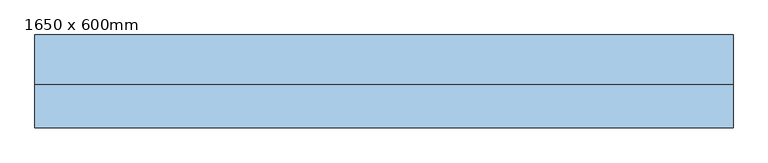
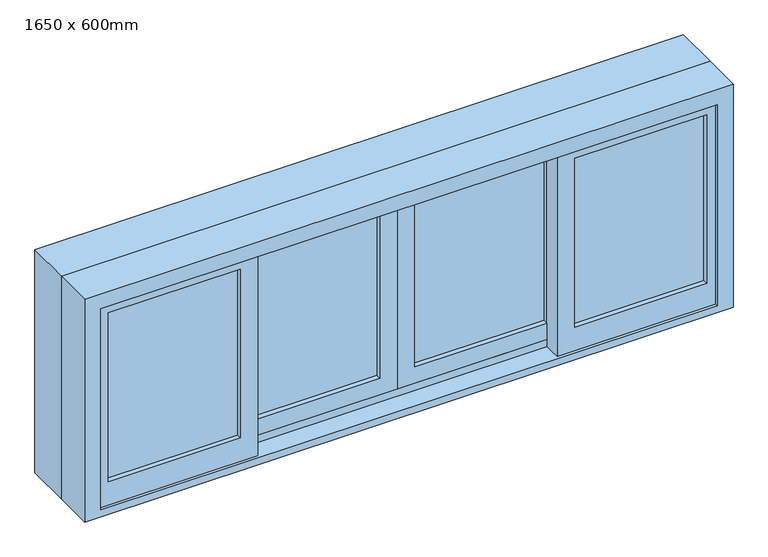
"""IFC4 building model written with IfcOpenShell, lengths in millimetres: window geometry, 1650 x 600mm."""

import ifcopenshell
import ifcopenshell.guid

model = None  # the IFC model being written
_history = None  # IfcOwnerHistory: only IFC2X3 demands one
_inside = {}  # id of a spatial element -> (the spatial element, [elements in it])
_under = {}  # id of a project, library or spatial element -> (it, [spatial elements below it])
_declared = {}  # id of a project -> (the project, [libraries it declares])
_typed = {}  # id of a type object -> (the type object, [elements of that type])
_made_of = {}  # id of a material, layer set ... -> (it, [elements and type objects made of it])


def new_model(schema):
    """Start an empty IFC model of exactly this schema.

    Asked for "IFC4X3", IfcOpenShell would pick the latest addendum, in which some entities
    have other attributes; the version numbers below select the first issue.
    IFC2X3 requires an IfcOwnerHistory on every rooted entity: one is made here for all.
    """
    global model, _history
    if schema == "IFC4X3":
        model = ifcopenshell.file(schema_version=(4, 3, 0, 0))
    else:
        model = ifcopenshell.file(schema=schema)
    _inside.clear()
    _under.clear()
    _declared.clear()
    _typed.clear()
    _made_of.clear()
    _history = None
    if model.schema == "IFC2X3":
        org = make("IfcOrganization", Name="unknown")
        user = make(
            "IfcPersonAndOrganization",
            ThePerson=make("IfcPerson", FamilyName="unknown"),
            TheOrganization=org,
        )
        app = make(
            "IfcApplication",
            ApplicationDeveloper=org,
            Version="unknown",
            ApplicationFullName="unknown",
            ApplicationIdentifier="unknown",
        )
        _history = make(
            "IfcOwnerHistory",
            OwningUser=user,
            OwningApplication=app,
            ChangeAction="ADDED",
            CreationDate=0,
        )
    return model


def make(cls, **values):
    """One entity of the class cls with the attributes given. An attribute that is None is left unset."""
    return model.create_entity(
        cls, **{name: value for name, value in values.items() if value is not None}
    )


def rooted(cls, **values):
    """An entity with a GlobalId (a new one), such as an element, a storey or a relation."""
    return make(cls, GlobalId=ifcopenshell.guid.new(), OwnerHistory=_history, **values)


def si_unit(unit_type, name, prefix=None):
    """IfcSIUnit, for example si_unit("LENGTHUNIT", "METRE", prefix="MILLI")."""
    return make("IfcSIUnit", UnitType=unit_type, Prefix=prefix, Name=name)


def assignment(units):
    """IfcUnitAssignment: the units of a project."""
    return None if units is None else make("IfcUnitAssignment", Units=units)


def point(xyz):
    """IfcCartesianPoint."""
    return None if xyz is None else make("IfcCartesianPoint", Coordinates=xyz)


def direction(xyz):
    """IfcDirection."""
    return None if xyz is None else make("IfcDirection", DirectionRatios=xyz)


def frame(location, z_axis=None, x_axis=None):
    """IfcAxis2Placement3D, a coordinate frame: its origin and axes. An axis left out is left unset."""
    return make(
        "IfcAxis2Placement3D",
        Location=point(location),
        Axis=direction(z_axis),
        RefDirection=direction(x_axis),
    )


def origin():
    """The frame at (0, 0, 0) with its axes left unset."""
    return frame((0.0, 0.0, 0.0))


def place(relative_to, where):
    """IfcLocalPlacement: puts the frame where relative to a parent placement (None: the world)."""
    return make(
        "IfcLocalPlacement", PlacementRelTo=relative_to, RelativePlacement=where
    )


def context(
    kind, dimensions, precision=None, world=None, true_north=None, identifier=None
):
    """IfcGeometricRepresentationContext, for example the 3D "Model" context."""
    return make(
        "IfcGeometricRepresentationContext",
        ContextIdentifier=identifier,
        ContextType=kind,
        CoordinateSpaceDimension=dimensions,
        Precision=precision,
        WorldCoordinateSystem=world,
        TrueNorth=true_north,
    )


def project(units=None, contexts=None):
    """IfcProject with its units and contexts."""
    return rooted(
        "IfcProject",
        Name="project",
        RepresentationContexts=contexts,
        UnitsInContext=assignment(units),
    )


def spatial(cls, under=None, at=None, **own):
    """A site, building, storey or space (cls), placed at a placement, below another one or the project."""
    s = rooted(cls, ObjectPlacement=at, **own)
    if under is not None:
        _under.setdefault(under.id(), (under, []))[1].append(s)
    return s


def polyline(points):
    """IfcPolyline through the points."""
    return make("IfcPolyline", Points=[point(p) for p in points])


def outline(outer, holes=None, kind="AREA"):
    """IfcArbitraryClosedProfileDef: a profile drawn as a closed curve; with holes, ...WithVoids."""
    if holes is None:
        return make("IfcArbitraryClosedProfileDef", ProfileType=kind, OuterCurve=outer)
    return make(
        "IfcArbitraryProfileDefWithVoids",
        ProfileType=kind,
        OuterCurve=outer,
        InnerCurves=holes,
    )


def extrude(swept, where, along, depth):
    """IfcExtrudedAreaSolid: the profile swept, set in the frame where, extruded along a direction by depth."""
    return make(
        "IfcExtrudedAreaSolid",
        SweptArea=swept,
        Position=where,
        ExtrudedDirection=direction(along),
        Depth=depth,
    )


def faces_of(points, faces, orient=None, outer=None):
    """IfcFace entities. A face is a list of loops; a loop is a list of indices into points, from 0.

    orient and outer hold one flag for each loop. By default every Orientation is true, the
    first loop of a face is its IfcFaceOuterBound and the others are IfcFaceBound.
    """
    made = []
    for i, loops in enumerate(faces):
        bounds = []
        for j, loop in enumerate(loops):
            is_outer = j == 0 if outer is None else outer[i][j]
            bounds.append(
                make(
                    "IfcFaceOuterBound" if is_outer else "IfcFaceBound",
                    Bound=make("IfcPolyLoop", Polygon=[points[k] for k in loop]),
                    Orientation=True if orient is None else orient[i][j],
                )
            )
        made.append(make("IfcFace", Bounds=bounds))
    return made


def faceted_brep(points, faces, orient=None, outer=None, voids=None):
    """IfcFacetedBrep: a solid bounded by flat faces; with voids (closed shells), ...WithVoids."""
    shared = [point(p) for p in points]
    hull = make("IfcClosedShell", CfsFaces=faces_of(shared, faces, orient, outer))
    if voids is None:
        return make("IfcFacetedBrep", Outer=hull)
    return make(
        "IfcFacetedBrepWithVoids",
        Outer=hull,
        Voids=[
            make(cls, CfsFaces=faces_of(shared, fs, o, b)) for cls, fs, o, b in voids
        ],
    )


def shape(context_of_items, identifier, shape_type, items):
    """IfcShapeRepresentation: the items that make up one representation, for example the "Body"."""
    return make(
        "IfcShapeRepresentation",
        ContextOfItems=context_of_items,
        RepresentationIdentifier=identifier,
        RepresentationType=shape_type,
        Items=items,
    )


def source(mapping_origin, context_of_items, identifier, shape_type, items):
    """IfcRepresentationMap: a shape defined once, which mapped items show again and again."""
    return make(
        "IfcRepresentationMap",
        MappingOrigin=mapping_origin,
        MappedRepresentation=shape(context_of_items, identifier, shape_type, items),
    )


def transform(
    local_origin,
    x_axis=None,
    y_axis=None,
    z_axis=None,
    scale=None,
    scale2=None,
    scale3=None,
    uniform=True,
):
    """IfcCartesianTransformationOperator3D, or its non-uniform kind. x_axis, y_axis, z_axis: its Axis1, 2, 3."""
    if uniform:
        return make(
            "IfcCartesianTransformationOperator3D",
            Axis1=direction(x_axis),
            Axis2=direction(y_axis),
            LocalOrigin=point(local_origin),
            Scale=scale,
            Axis3=direction(z_axis),
        )
    return make(
        "IfcCartesianTransformationOperator3DnonUniform",
        Axis1=direction(x_axis),
        Axis2=direction(y_axis),
        LocalOrigin=point(local_origin),
        Scale=scale,
        Axis3=direction(z_axis),
        Scale2=scale2,
        Scale3=scale3,
    )


def mapped(mapping_source, mapping_target):
    """IfcMappedItem: shows the shape of a source again, moved by a transform."""
    return make(
        "IfcMappedItem", MappingSource=mapping_source, MappingTarget=mapping_target
    )


def made_of(thing, what):
    """Note that an element or type object is made of a material, layer set ...; save() writes the relation."""
    if what is not None:
        _made_of.setdefault(what.id(), (what, []))[1].append(thing)
    return thing


def element(
    cls,
    number,
    at=None,
    inside=None,
    cuts=None,
    type_object=None,
    material=None,
    context=None,
    identifier="Body",
    shape_type=None,
    held_by="IfcProductDefinitionShape",
    body=None,
    shapes=None,
    **own,
):
    """One element of the class cls, such as IfcWall. Its Tag is "e" and its number.

    at: its placement. inside: the storey or other place that contains it. cuts: it is an
    opening in that element (IfcRelVoidsElement). A single representation is given by context,
    identifier, shape_type and body (its items); several are given by shapes. held_by: the class
    of the entity that holds the representations. save() writes the other relations.
    """
    e = rooted(cls, Tag="e%d" % number, ObjectPlacement=at, **own)
    if body is not None:
        shapes = [shape(context, identifier, shape_type, body)]
    if shapes is not None:
        e.Representation = make(held_by, Representations=shapes)
    if inside is not None:
        _inside.setdefault(inside.id(), (inside, []))[1].append(e)
    if cuts is not None:
        rooted(
            "IfcRelVoidsElement", RelatingBuildingElement=cuts, RelatedOpeningElement=e
        )
    if type_object is not None:
        _typed.setdefault(type_object.id(), (type_object, []))[1].append(e)
    return made_of(e, material)


def aggregate(whole, parts):
    """IfcRelAggregates: a whole, such as a stair, and the parts it consists of."""
    return rooted("IfcRelAggregates", RelatingObject=whole, RelatedObjects=parts)


def save(model, path):
    """Write the relations noted so far, then the file.

    IfcRelAggregates (storeys below a building ...), IfcRelContainedInSpatialStructure (elements
    in a storey), IfcRelDefinesByType, IfcRelAssociatesMaterial and IfcRelDeclares: one each for
    every whole, place, type object, material and project.
    """
    for whole, parts in _under.values():
        aggregate(whole, parts)
    for where, things in _inside.values():
        rooted(
            "IfcRelContainedInSpatialStructure",
            RelatedElements=things,
            RelatingStructure=where,
        )
    for kind, things in _typed.values():
        rooted("IfcRelDefinesByType", RelatedObjects=things, RelatingType=kind)
    for what, things in _made_of.values():
        rooted("IfcRelAssociatesMaterial", RelatedObjects=things, RelatingMaterial=what)
    for by, libraries in _declared.values():
        rooted("IfcRelDeclares", RelatingContext=by, RelatedDefinitions=libraries)
    model.write(path)


def window_1650_x_600mm_9992228e(model_context):
    return source(origin(), model_context, "Body", "SolidModel", [
        faceted_brep([(-825.0, -13.64, 900.0), (825.0, -13.64, 900.0), (825.0, -115.24, 900.0), (-825.0, -115.24, 900.0), (-784.0778905, -115.24, 1459.0778905), (-784.0778905, -115.24, 919.05), (-784.0778905, -108.89, 919.05), (-784.0778905, -108.89, 1459.0778905), (-805.95, -108.89, 919.05), (-805.95, -108.89, 1480.95), (805.95, -108.89, 1480.95), (805.95, -108.89, 919.05), (784.0778905, -108.89, 919.05), (784.0778905, -108.89, 1459.0778905), (-805.95, -64.44, 919.05), (-805.95, -64.44, 938.1), (-805.95, -19.99, 938.1), (-805.95, -19.99, 919.05), (-805.95, -13.64, 919.05), (-805.95, -13.64, 1480.95), (-825.0, -13.64, 1500.0), (825.0, -13.64, 1500.0), (805.95, -13.64, 1480.95), (805.95, -13.64, 919.05), (-825.0, -115.24, 1500.0), (825.0, -115.24, 1500.0), (784.0778905, -115.24, 1459.0778905), (784.0778905, -115.24, 919.05), (805.95, -19.99, 919.05), (805.95, -19.99, 938.1), (805.95, -64.44, 938.1), (805.95, -64.44, 919.05)], [[[0, 1, 2, 3]], [[4, 5, 6, 7]], [[7, 6, 8, 9, 10, 11, 12, 13]], [[9, 8, 14, 15, 16, 17, 18, 19]], [[0, 20, 21, 1], [22, 19, 18, 23]], [[24, 20, 0, 3]], [[2, 25, 24, 3], [4, 26, 27, 5]], [[7, 13, 26, 4]], [[9, 19, 22, 10]], [[20, 24, 25, 21]], [[13, 12, 27, 26]], [[22, 23, 28, 29, 30, 31, 11, 10]], [[21, 25, 2, 1]], [[27, 12, 11, 31, 14, 8, 6, 5]], [[31, 30, 15, 14]], [[30, 29, 16, 15]], [[29, 28, 17, 16]], [[18, 17, 28, 23]]]),
        extrude(outline(polyline([(919.05, 380.75), (919.05, 805.95), (1480.95, 805.95), (1480.95, 380.75), (919.05, 380.75)]), holes=[polyline([(1436.5, 761.5), (982.55, 761.5), (982.55, 425.2), (1436.5, 425.2), (1436.5, 761.5)])]), frame((0.0, -108.89, 0.0), z_axis=(0.0, 1.0, 0.0), x_axis=(0.0, 0.0, 1.0)), (0.0, 0.0, 1.0), 44.45),
        extrude(outline(polyline([(761.5, -96.19), (425.2, -96.19), (425.2, -89.84), (761.5, -89.84), (761.5, -96.19)])), frame((0.0, 0.0, 982.55), z_axis=(0.0, 0.0, 1.0), x_axis=(1.0, 0.0, 0.0)), (0.0, 0.0, 1.0), 453.95),
        extrude(outline(polyline([(761.5, -83.1725303), (425.2, -83.1725303), (425.2, -77.14), (761.5, -77.14), (761.5, -83.1725303)])), frame((0.0, 0.0, 982.55), z_axis=(0.0, 0.0, 1.0), x_axis=(1.0, 0.0, 0.0)), (0.0, 0.0, 1.0), 453.95),
        extrude(outline(polyline([(380.75, -51.74), (44.45, -51.74), (44.45, -45.39), (380.75, -45.39), (380.75, -51.74)])), frame((0.0, 0.0, 982.55), z_axis=(0.0, 0.0, 1.0), x_axis=(1.0, 0.0, 0.0)), (0.0, 0.0, 1.0), 453.95),
        extrude(outline(polyline([(380.75, -39.04), (44.45, -39.04), (44.45, -32.69), (380.75, -32.69), (380.75, -39.04)])), frame((0.0, 0.0, 982.55), z_axis=(0.0, 0.0, 1.0), x_axis=(1.0, 0.0, 0.0)), (0.0, 0.0, 1.0), 453.95),
        extrude(outline(polyline([(1480.95, 0.0), (1480.95, -425.2), (938.1, -425.2), (938.1, 0.0), (1480.95, 0.0)]), holes=[polyline([(1436.5, -380.75), (1436.5, -44.45), (982.55, -44.45), (982.55, -380.75), (1436.5, -380.75)])]), frame((0.0, -64.44, 0.0), z_axis=(0.0, 1.0, 0.0), x_axis=(0.0, 0.0, 1.0)), (0.0, 0.0, 1.0), 44.45),
        extrude(outline(polyline([(938.1, 0.0), (938.1, 425.2), (1480.95, 425.2), (1480.95, 0.0), (938.1, 0.0)]), holes=[polyline([(982.55, 380.75), (982.55, 44.45), (1436.5, 44.45), (1436.5, 380.75), (982.55, 380.75)])]), frame((0.0, -64.44, 0.0), z_axis=(0.0, 1.0, 0.0), x_axis=(0.0, 0.0, 1.0)), (0.0, 0.0, 1.0), 44.45),
        extrude(outline(polyline([(1500.0, 825.0), (1500.0, -825.0), (900.0, -825.0), (900.0, 825.0), (1500.0, 825.0)]), holes=[polyline([(1480.95, -805.95), (1480.95, 805.95), (919.05, 805.95), (919.05, -805.95), (1480.95, -805.95)])]), frame((0.0, -13.64, 0.0), z_axis=(0.0, 1.0, 0.0), x_axis=(0.0, 0.0, 1.0)), (0.0, 0.0, 1.0), 117.45),
        extrude(outline(polyline([(-44.45, -51.74), (-380.75, -51.74), (-380.75, -45.39), (-44.45, -45.39), (-44.45, -51.74)])), frame((0.0, 0.0, 982.55), z_axis=(0.0, 0.0, 1.0), x_axis=(1.0, 0.0, 0.0)), (0.0, 0.0, 1.0), 453.95),
        extrude(outline(polyline([(-44.45, -39.04), (-380.75, -39.04), (-380.75, -32.69), (-44.45, -32.69), (-44.45, -39.04)])), frame((0.0, 0.0, 982.55), z_axis=(0.0, 0.0, 1.0), x_axis=(1.0, 0.0, 0.0)), (0.0, 0.0, 1.0), 453.95),
        extrude(outline(polyline([(-425.2, -96.19), (-761.5, -96.19), (-761.5, -89.84), (-425.2, -89.84), (-425.2, -96.19)])), frame((0.0, 0.0, 982.55), z_axis=(0.0, 0.0, 1.0), x_axis=(1.0, 0.0, 0.0)), (0.0, 0.0, 1.0), 453.95),
        extrude(outline(polyline([(-425.2, -83.49), (-761.5, -83.49), (-761.5, -77.14), (-425.2, -77.14), (-425.2, -83.49)])), frame((0.0, 0.0, 982.55), z_axis=(0.0, 0.0, 1.0), x_axis=(1.0, 0.0, 0.0)), (0.0, 0.0, 1.0), 453.95),
        extrude(outline(polyline([(919.05, -380.75), (1480.95, -380.75), (1480.95, -805.95), (919.05, -805.95), (919.05, -380.75)]), holes=[polyline([(1436.5, -761.5), (1436.5, -425.2), (982.55, -425.2), (982.55, -761.5), (1436.5, -761.5)])]), frame((0.0, -108.89, 0.0), z_axis=(0.0, 1.0, 0.0), x_axis=(0.0, 0.0, 1.0)), (0.0, 0.0, 1.0), 44.45),
    ])


if __name__ == "__main__":
    model = new_model("IFC4")
    model_context = context("Model", 3, world=origin())
    ifc_project = project(units=[si_unit("LENGTHUNIT", "METRE", prefix="MILLI")], contexts=[model_context])
    site = spatial("IfcSite", under=ifc_project)
    building = spatial("IfcBuilding", under=site)
    placement = place(None, origin())
    window_1650_x_600mm_shape = window_1650_x_600mm_9992228e(model_context)
    element("IfcWindow", 1, ObjectType="1650 x 600mm", at=placement, inside=building, context=model_context, shape_type="MappedRepresentation", body=[
        mapped(window_1650_x_600mm_shape, transform((0.0, 0.0, 0.0), x_axis=(1.0, 0.0, 0.0), y_axis=(0.0, 1.0, 0.0), z_axis=(0.0, 0.0, 1.0))),
    ])
    save(model, "model.ifc")
